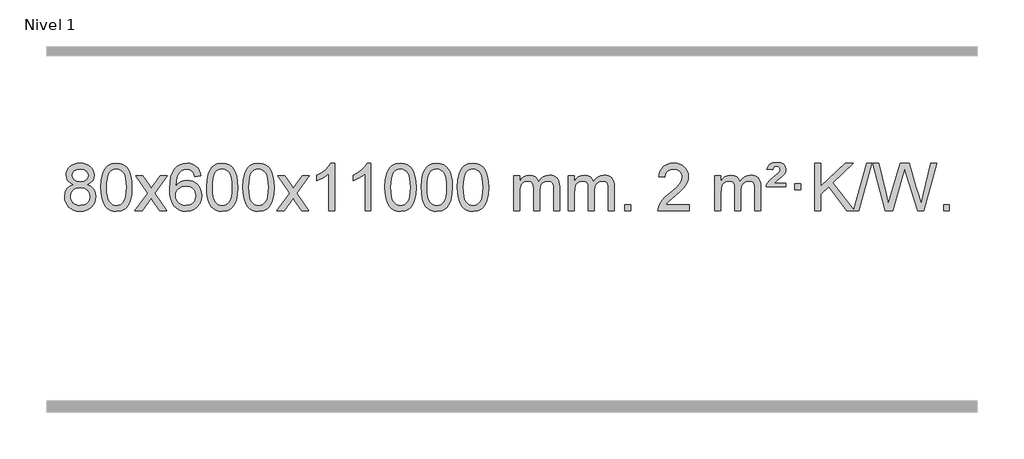
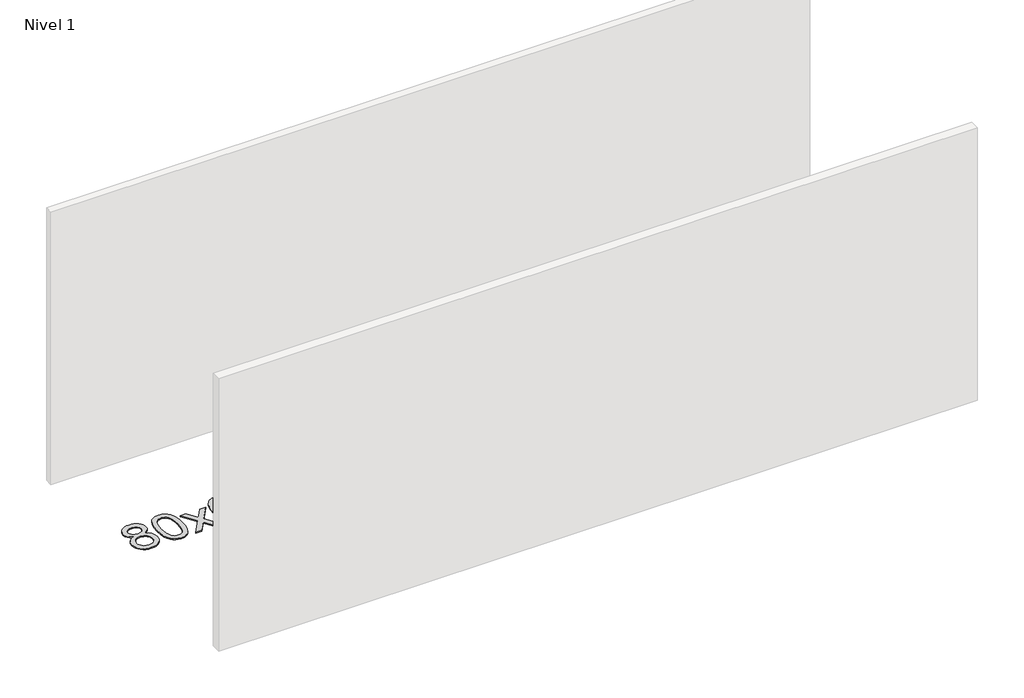
# One storey, part 3 of 14: 1 proxy.
"""IFC4 building model written with IfcOpenShell, lengths in millimetres."""

from ifc_helpers import new_model, si_unit, origin, origin_with_axes, place, context, project, spatial, polyline, outline, extrude, element, save

model = new_model("IFC4")

# Units and contexts
model_context = context("Model", 3, world=origin())
ifc_project = project(units=[si_unit("LENGTHUNIT", "METRE", prefix="MILLI")], contexts=[model_context])

# Site, building, storey
site = spatial("IfcSite", under=ifc_project)
building = spatial("IfcBuilding", under=site)
storey = spatial("IfcBuildingStorey", under=building, Name="Nivel 1", Elevation=0.0)

# Proxy
placement = place(None, origin())
element("IfcBuildingElementProxy", 1, Name="Texto de modelo 1", ObjectType="Texto de modelo 1", at=placement, inside=storey, context=model_context, shape_type="SweptSolid", body=[
    extrude(outline(polyline([(-12804.5042266, -170.2616447), (-12831.3964004, -157.0178929), (-12850.2687468, -139.0652515), (-12861.4155712, -116.7716026), (-12865.1311794, -90.5048281), (-12863.1078284, -70.0199324), (-12857.0377755, -51.2395565), (-12846.9210206, -34.1637006), (-12832.7575638, -18.7923645), (-12815.2279867, -6.088173), (-12795.0128711, 2.9862496), (-12772.1122169, 8.4309031), (-12746.5260241, 10.2457876), (-12720.817204, 8.3879835), (-12697.7448716, 2.8145713), (-12677.3090268, -6.4744491), (-12659.5096696, -19.4790776), (-12645.0886953, -35.1508506), (-12634.7879995, -52.4413044), (-12628.607582, -71.3504389), (-12626.5474428, -91.8782543), (-12630.214, -117.2989001), (-12641.2136717, -139.2124043), (-12659.6690851, -157.0546811), (-12685.7028676, -170.2616447), (-12654.7885173, -186.1909351), (-12632.2864019, -209.6495436), (-12618.5644035, -239.5092989), (-12613.990404, -274.6420295), (-12616.2590097, -299.6947933), (-12623.0648266, -322.6628926), (-12634.4078547, -343.5463272), (-12650.2880942, -362.3450971), (-12669.8716791, -377.88198), (-12692.3247435, -388.9797536), (-12717.6472875, -395.6384177), (-12745.8393111, -397.8579724), (-12774.0313347, -395.6292206), (-12799.3538787, -388.9429654), (-12821.8069431, -377.7992066), (-12841.390528, -362.1979443), (-12857.2707674, -343.26735), (-12868.6137956, -322.135595), (-12875.4196125, -298.8026795), (-12877.6882182, -273.2686033), (-12872.9302777, -236.7747094), (-12858.6564563, -206.7555386), (-12835.6025179, -184.2411605), (-12804.5042266, -170.2616447)]), holes=[polyline([(-12814.9030243, -91.9763561), (-12810.4516522, -113.902123), (-12797.0975357, -131.413306), (-12775.2330825, -142.8912243), (-12745.2506999, -146.717197), (-12715.9672931, -142.9157497), (-12694.4339336, -131.5114079), (-12681.1901818, -114.5888361), (-12676.7755979, -94.232699), (-12681.3373346, -73.1040098), (-12695.0225448, -55.629615), (-12716.8502099, -43.8941794), (-12745.8393111, -39.9823675), (-12775.0123533, -43.8083402), (-12796.8032302, -55.2862585), (-12810.3780758, -72.1107284), (-12814.9030243, -91.9763561)]), polyline([(-12827.4600631, -271.5027698), (-12825.3631357, -290.7184726), (-12819.0723536, -309.3210389), (-12807.4595453, -325.5446349), (-12789.3965393, -337.623427), (-12767.765078, -345.1282197), (-12745.4469036, -347.6298173), (-12711.2584035, -342.3691048), (-12697.3647269, -335.7932141), (-12685.6047657, -326.5869672), (-12669.5651108, -302.6869002), (-12664.2185591, -273.0723996), (-12669.736789, -242.9551269), (-12686.2914788, -218.5277625), (-12698.370271, -209.0854579), (-12712.5337278, -202.3409547), (-12747.1146353, -196.9453521), (-12780.8248888, -202.2673783), (-12794.5622157, -208.919911), (-12806.2210092, -218.2334569), (-12822.1502996, -242.1948375), (-12827.4600631, -271.5027698)])]), origin_with_axes(), (0.0, 0.0, 1.0), 10.0),
    extrude(outline(polyline([(-12570.0407683, -193.9041943), (-12566.3496856, -129.5861588), (-12555.2764376, -78.2911459), (-12536.9313888, -39.2343407), (-12525.0733258, -24.0009605), (-12511.4249038, -11.6309284), (-12495.9401374, -2.0598651), (-12478.5730416, 4.7766086), (-12438.1918613, 10.2457876), (-12407.2407227, 7.008426), (-12379.5269458, -2.7036586), (-12356.3503801, -18.5103217), (-12339.0108754, -40.0314184), (-12325.9142763, -67.0830078), (-12315.4664277, -99.4811488), (-12308.6238226, -140.6226186), (-12306.3429542, -193.9041943), (-12309.9972487, -257.8543477), (-12320.9601321, -309.0267333), (-12339.1948164, -348.1203266), (-12351.0252882, -363.3996922), (-12364.6645132, -375.8341036), (-12380.1676736, -385.4695462), (-12397.5899517, -392.3520052), (-12438.1918613, -397.8579724), (-12465.8565873, -395.4667394), (-12490.3820536, -388.2930405), (-12511.7682603, -376.3368757), (-12530.0152073, -359.5982449), (-12547.5263902, -329.3399508), (-12560.0343781, -291.6381776), (-12567.5391708, -246.4929255), (-12570.0407683, -193.9041943)]), holes=[polyline([(-12519.8126133, -193.8060924), (-12518.3410853, -237.4706195), (-12513.9265013, -272.8148822), (-12506.5688614, -299.8388804), (-12496.2681656, -318.5426142), (-12483.8092287, -331.2682656), (-12469.9768656, -340.3580165), (-12454.7710765, -345.8118671), (-12438.1918613, -347.6298173), (-12421.612646, -345.8057357), (-12406.4068569, -340.3334911), (-12392.5744939, -331.2130833), (-12380.1155569, -318.4445124), (-12369.8148611, -299.7101217), (-12362.4572212, -272.6922549), (-12358.0426372, -237.3909118), (-12356.5711093, -193.8060924), (-12357.9935863, -151.2973278), (-12362.2610174, -116.5753989), (-12369.3734027, -89.6403055), (-12379.330742, -70.4920476), (-12391.5812125, -57.1440625), (-12405.572991, -47.6097875), (-12421.3060777, -41.8892225), (-12438.7804724, -39.9823675), (-12455.2738486, -41.6623619), (-12470.2221203, -46.7023452), (-12483.6252877, -55.1023175), (-12495.4833506, -66.8622786), (-12506.127403, -87.708925), (-12513.7302976, -115.8151094), (-12518.2920343, -151.1808319), (-12519.8126133, -193.8060924)])]), origin_with_axes(), (0.0, 0.0, 1.0), 10.0),
    extrude(outline(polyline([(-12281.2288766, -391.579453), (-12173.9054359, -243.2494325), (-12274.9503573, -96.4890419), (-12214.5196082, -96.4890419), (-12165.7629811, -167.122385), (-12143.0033483, -200.4770192), (-12123.2848734, -173.2047007), (-12067.7592176, -96.4890419), (-12007.3284685, -96.4890419), (-12113.4746868, -243.2494325), (-12011.2525431, -391.579453), (-12071.6832922, -391.579453), (-12133.1931618, -302.4048574), (-12144.4748763, -286.1199477), (-12220.7981276, -391.579453), (-12281.2288766, -391.579453)])), origin_with_axes(), (0.0, 0.0, 1.0), 10.0),
    extrude(outline(polyline([(-11722.4406514, -96.4890419), (-11772.6688065, -102.7675613), (-11780.7622104, -77.874213), (-11791.7005684, -60.8780648), (-11814.4847266, -45.2062918), (-11842.0268253, -39.9823675), (-11865.3750693, -43.0235253), (-11887.3498871, -52.1469988), (-11906.2222335, -71.3627017), (-11921.6364891, -97.8134171), (-11932.0475496, -135.227016), (-11935.9103105, -187.3313693), (-11915.7626399, -163.8237098), (-11891.6173183, -147.2567573), (-11864.8232463, -137.434308), (-11836.7293246, -134.1601582), (-11812.5962657, -136.398107), (-11790.3271423, -143.1119534), (-11769.9219543, -154.3016975), (-11751.3807017, -169.9673391), (-11735.9725775, -189.1769106), (-11724.9667745, -210.9984443), (-11718.3632927, -235.4319401), (-11716.1621321, -262.4773982), (-11720.3069359, -298.4439945), (-11732.7413473, -331.786366), (-11752.4352968, -360.0642287), (-11778.3587147, -380.8372987), (-11809.3343787, -393.602804), (-11844.1850664, -397.8579724), (-11874.1275951, -395.0375437), (-11901.1699874, -386.5762579), (-11925.3122434, -372.4741147), (-11946.5543629, -352.7311143), (-11963.8724078, -326.5133908), (-11976.2424399, -292.9870783), (-11983.6644592, -252.1521768), (-11986.1384656, -204.0086864), (-11983.3916134, -150.0342663), (-11975.1510567, -103.9693092), (-11961.4167955, -65.8138149), (-11942.1888299, -35.5677835), (-11921.3483149, -15.5243462), (-11897.1845991, -1.2076052), (-11869.6976827, 7.3824394), (-11838.8875656, 10.2457876), (-11815.7539195, 8.4738227), (-11794.8153026, 3.1579278), (-11776.071715, -5.7018969), (-11759.5231566, -18.1056515), (-11745.6172171, -33.6364031), (-11734.8014865, -51.8772186), (-11727.0759646, -72.8280983), (-11722.4406514, -96.4890419)]), holes=[polyline([(-11935.9103105, -261.6925832), (-11933.0040427, -283.9494439), (-11924.2852395, -305.2007605), (-11910.747182, -323.472233), (-11893.3831519, -336.7895612), (-11872.4261409, -344.9197533), (-11848.109141, -347.6298173), (-11814.9629732, -342.0134855), (-11801.0478368, -334.9930708), (-11788.9046652, -325.1644901), (-11779.0546248, -312.9262824), (-11772.0188817, -298.6769865), (-11766.3902871, -264.1451299), (-11771.9453053, -230.9989621), (-11778.8890779, -217.3781312), (-11788.6103596, -205.725469), (-11800.7903194, -196.3904634), (-11815.110126, -189.7226022), (-11850.1692802, -184.3883133), (-11883.266397, -189.7226022), (-11910.9433858, -205.725469), (-11921.8664153, -217.2248471), (-11929.6685793, -230.3858254), (-11934.3498777, -245.2084042), (-11935.9103105, -261.6925832)])]), origin_with_axes(), (0.0, 0.0, 1.0), 10.0),
    extrude(outline(polyline([(-11672.2124964, -193.9041943), (-11668.5214137, -129.5861588), (-11657.4481656, -78.2911459), (-11639.1031168, -39.2343407), (-11627.2450538, -24.0009605), (-11613.5966318, -11.6309284), (-11598.1118655, -2.0598651), (-11580.7447696, 4.7766086), (-11540.3635893, 10.2457876), (-11509.4124508, 7.008426), (-11481.6986738, -2.7036586), (-11458.5221081, -18.5103217), (-11441.1826034, -40.0314184), (-11428.0860044, -67.0830078), (-11417.6381557, -99.4811488), (-11410.7955506, -140.6226186), (-11408.5146822, -193.9041943), (-11412.1689767, -257.8543477), (-11423.1318602, -309.0267333), (-11441.3665444, -348.1203266), (-11453.1970162, -363.3996922), (-11466.8362412, -375.8341036), (-11482.3394016, -385.4695462), (-11499.7616798, -392.3520052), (-11540.3635893, -397.8579724), (-11568.0283153, -395.4667394), (-11592.5537817, -388.2930405), (-11613.9399883, -376.3368757), (-11632.1869353, -359.5982449), (-11649.6981183, -329.3399508), (-11662.2061061, -291.6381776), (-11669.7108988, -246.4929255), (-11672.2124964, -193.9041943)]), holes=[polyline([(-11621.9843413, -193.8060924), (-11620.5128133, -237.4706195), (-11616.0982294, -272.8148822), (-11608.7405895, -299.8388804), (-11598.4398936, -318.5426142), (-11585.9809567, -331.2682656), (-11572.1485937, -340.3580165), (-11556.9428045, -345.8118671), (-11540.3635893, -347.6298173), (-11523.784374, -345.8057357), (-11508.5785849, -340.3334911), (-11494.7462219, -331.2130833), (-11482.287285, -318.4445124), (-11471.9865891, -299.7101217), (-11464.6289492, -272.6922549), (-11460.2143653, -237.3909118), (-11458.7428373, -193.8060924), (-11460.1653143, -151.2973278), (-11464.4327455, -116.5753989), (-11471.5451307, -89.6403055), (-11481.5024701, -70.4920476), (-11493.7529405, -57.1440625), (-11507.7447191, -47.6097875), (-11523.4778057, -41.8892225), (-11540.9522005, -39.9823675), (-11557.4455766, -41.6623619), (-11572.3938483, -46.7023452), (-11585.7970157, -55.1023175), (-11597.6550787, -66.8622786), (-11608.2991311, -87.708925), (-11615.9020256, -115.8151094), (-11620.4637624, -151.1808319), (-11621.9843413, -193.8060924)])]), origin_with_axes(), (0.0, 0.0, 1.0), 10.0),
    extrude(outline(polyline([(-11364.5650465, -193.9041943), (-11360.8739638, -129.5861588), (-11349.8007158, -78.2911459), (-11331.455667, -39.2343407), (-11319.597604, -24.0009605), (-11305.949182, -11.6309284), (-11290.4644157, -2.0598651), (-11273.0973198, 4.7766086), (-11232.7161395, 10.2457876), (-11201.7650009, 7.008426), (-11174.051224, -2.7036586), (-11150.8746583, -18.5103217), (-11133.5351536, -40.0314184), (-11120.4385545, -67.0830078), (-11109.9907059, -99.4811488), (-11103.1481008, -140.6226186), (-11100.8672324, -193.9041943), (-11104.5215269, -257.8543477), (-11115.4844103, -309.0267333), (-11133.7190946, -348.1203266), (-11145.5495664, -363.3996922), (-11159.1887914, -375.8341036), (-11174.6919518, -385.4695462), (-11192.1142299, -392.3520052), (-11232.7161395, -397.8579724), (-11260.3808655, -395.4667394), (-11284.9063318, -388.2930405), (-11306.2925385, -376.3368757), (-11324.5394855, -359.5982449), (-11342.0506684, -329.3399508), (-11354.5586563, -291.6381776), (-11362.063449, -246.4929255), (-11364.5650465, -193.9041943)]), holes=[polyline([(-11314.3368915, -193.8060924), (-11312.8653635, -237.4706195), (-11308.4507795, -272.8148822), (-11301.0931396, -299.8388804), (-11290.7924438, -318.5426142), (-11278.3335069, -331.2682656), (-11264.5011438, -340.3580165), (-11249.2953547, -345.8118671), (-11232.7161395, -347.6298173), (-11216.1369242, -345.8057357), (-11200.9311351, -340.3334911), (-11187.0987721, -331.2130833), (-11174.6398352, -318.4445124), (-11164.3391393, -299.7101217), (-11156.9814994, -272.6922549), (-11152.5669154, -237.3909118), (-11151.0953875, -193.8060924), (-11152.5178645, -151.2973278), (-11156.7852957, -116.5753989), (-11163.8976809, -89.6403055), (-11173.8550202, -70.4920476), (-11186.1054907, -57.1440625), (-11200.0972692, -47.6097875), (-11215.8303559, -41.8892225), (-11233.3047507, -39.9823675), (-11249.7981268, -41.6623619), (-11264.7463985, -46.7023452), (-11278.1495659, -55.1023175), (-11290.0076288, -66.8622786), (-11300.6516812, -87.708925), (-11308.2545758, -115.8151094), (-11312.8163125, -151.1808319), (-11314.3368915, -193.8060924)])]), origin_with_axes(), (0.0, 0.0, 1.0), 10.0),
    extrude(outline(polyline([(-11075.7531548, -391.579453), (-10968.4297141, -243.2494325), (-11069.4746355, -96.4890419), (-11009.0438864, -96.4890419), (-10960.2872593, -167.122385), (-10937.5276265, -200.4770192), (-10917.8091516, -173.2047007), (-10862.2834958, -96.4890419), (-10801.8527467, -96.4890419), (-10907.998965, -243.2494325), (-10805.7768213, -391.579453), (-10866.2075704, -391.579453), (-10927.71744, -302.4048574), (-10938.9991545, -286.1199477), (-11015.3224058, -391.579453), (-11075.7531548, -391.579453)])), origin_with_axes(), (0.0, 0.0, 1.0), 10.0),
    extrude(outline(polyline([(-10586.0286429, -391.579453), (-10636.2567979, -391.579453), (-10636.2567979, -78.4382987), (-10657.2260717, -95.3976587), (-10683.8362027, -112.3324932), (-10736.7131081, -137.6918254), (-10736.7131081, -90.2105225), (-10697.2638955, -68.7507395), (-10663.0876581, -43.219729), (-10636.1464333, -16.0700378), (-10618.4022584, 10.2457876), (-10586.0286429, 10.2457876), (-10586.0286429, -391.579453)])), origin_with_axes(), (0.0, 0.0, 1.0), 10.0),
    extrude(outline(polyline([(-10278.381193, -391.579453), (-10328.6093481, -391.579453), (-10328.6093481, -78.4382987), (-10349.5786218, -95.3976587), (-10376.1887528, -112.3324932), (-10429.0656583, -137.6918254), (-10429.0656583, -90.2105225), (-10389.6164456, -68.7507395), (-10355.4402083, -43.219729), (-10328.4989835, -16.0700378), (-10310.7548086, 10.2457876), (-10278.381193, 10.2457876), (-10278.381193, -391.579453)])), origin_with_axes(), (0.0, 0.0, 1.0), 10.0),
    extrude(outline(polyline([(-10159.0893247, -193.9041943), (-10155.398242, -129.5861588), (-10144.324994, -78.2911459), (-10125.9799452, -39.2343407), (-10114.1218822, -24.0009605), (-10100.4734602, -11.6309284), (-10084.9886939, -2.0598651), (-10067.621598, 4.7766086), (-10027.2404177, 10.2457876), (-9996.2892791, 7.008426), (-9968.5755022, -2.7036586), (-9945.3989365, -18.5103217), (-9928.0594318, -40.0314184), (-9914.9628327, -67.0830078), (-9904.5149841, -99.4811488), (-9897.672379, -140.6226186), (-9895.3915106, -193.9041943), (-9899.0458051, -257.8543477), (-9910.0086885, -309.0267333), (-9928.2433728, -348.1203266), (-9940.0738446, -363.3996922), (-9953.7130696, -375.8341036), (-9969.21623, -385.4695462), (-9986.6385081, -392.3520052), (-10027.2404177, -397.8579724), (-10054.9051437, -395.4667394), (-10079.43061, -388.2930405), (-10100.8168167, -376.3368757), (-10119.0637637, -359.5982449), (-10136.5749466, -329.3399508), (-10149.0829345, -291.6381776), (-10156.5877272, -246.4929255), (-10159.0893247, -193.9041943)]), holes=[polyline([(-10108.8611697, -193.8060924), (-10107.3896417, -237.4706195), (-10102.9750577, -272.8148822), (-10095.6174178, -299.8388804), (-10085.316722, -318.5426142), (-10072.8577851, -331.2682656), (-10059.025422, -340.3580165), (-10043.8196329, -345.8118671), (-10027.2404177, -347.6298173), (-10010.6612024, -345.8057357), (-9995.4554133, -340.3334911), (-9981.6230503, -331.2130833), (-9969.1641134, -318.4445124), (-9958.8634175, -299.7101217), (-9951.5057776, -272.6922549), (-9947.0911936, -237.3909118), (-9945.6196657, -193.8060924), (-9947.0421427, -151.2973278), (-9951.3095739, -116.5753989), (-9958.4219591, -89.6403055), (-9968.3792984, -70.4920476), (-9980.6297689, -57.1440625), (-9994.6215474, -47.6097875), (-10010.3546341, -41.8892225), (-10027.8290289, -39.9823675), (-10044.322405, -41.6623619), (-10059.2706767, -46.7023452), (-10072.6738441, -55.1023175), (-10084.531907, -66.8622786), (-10095.1759594, -87.708925), (-10102.778854, -115.8151094), (-10107.3405907, -151.1808319), (-10108.8611697, -193.8060924)])]), origin_with_axes(), (0.0, 0.0, 1.0), 10.0),
    extrude(outline(polyline([(-9851.4418749, -193.9041943), (-9847.7507922, -129.5861588), (-9836.6775442, -78.2911459), (-9818.3324953, -39.2343407), (-9806.4744324, -24.0009605), (-9792.8260103, -11.6309284), (-9777.341244, -2.0598651), (-9759.9741482, 4.7766086), (-9719.5929678, 10.2457876), (-9688.6418293, 7.008426), (-9660.9280523, -2.7036586), (-9637.7514866, -18.5103217), (-9620.4119819, -40.0314184), (-9607.3153829, -67.0830078), (-9596.8675342, -99.4811488), (-9590.0249291, -140.6226186), (-9587.7440608, -193.9041943), (-9591.3983552, -257.8543477), (-9602.3612387, -309.0267333), (-9620.5959229, -348.1203266), (-9632.4263948, -363.3996922), (-9646.0656197, -375.8341036), (-9661.5687801, -385.4695462), (-9678.9910583, -392.3520052), (-9719.5929678, -397.8579724), (-9747.2576939, -395.4667394), (-9771.7831602, -388.2930405), (-9793.1693669, -376.3368757), (-9811.4163138, -359.5982449), (-9828.9274968, -329.3399508), (-9841.4354846, -291.6381776), (-9848.9402773, -246.4929255), (-9851.4418749, -193.9041943)]), holes=[polyline([(-9801.2137198, -193.8060924), (-9799.7421918, -237.4706195), (-9795.3276079, -272.8148822), (-9787.969968, -299.8388804), (-9777.6692721, -318.5426142), (-9765.2103352, -331.2682656), (-9751.3779722, -340.3580165), (-9736.1721831, -345.8118671), (-9719.5929678, -347.6298173), (-9703.0137526, -345.8057357), (-9687.8079634, -340.3334911), (-9673.9756004, -331.2130833), (-9661.5166635, -318.4445124), (-9651.2159677, -299.7101217), (-9643.8583278, -272.6922549), (-9639.4437438, -237.3909118), (-9637.9722158, -193.8060924), (-9639.3946929, -151.2973278), (-9643.662124, -116.5753989), (-9650.7745093, -89.6403055), (-9660.7318486, -70.4920476), (-9672.982319, -57.1440625), (-9686.9740976, -47.6097875), (-9702.7071843, -41.8892225), (-9720.181579, -39.9823675), (-9736.6749551, -41.6623619), (-9751.6232269, -46.7023452), (-9765.0263942, -55.1023175), (-9776.8844572, -66.8622786), (-9787.5285096, -87.708925), (-9795.1314042, -115.8151094), (-9799.6931409, -151.1808319), (-9801.2137198, -193.8060924)])]), origin_with_axes(), (0.0, 0.0, 1.0), 10.0),
    extrude(outline(polyline([(-9543.7944251, -193.9041943), (-9540.1033424, -129.5861588), (-9529.0300943, -78.2911459), (-9510.6850455, -39.2343407), (-9498.8269825, -24.0009605), (-9485.1785605, -11.6309284), (-9469.6937942, -2.0598651), (-9452.3266983, 4.7766086), (-9411.945518, 10.2457876), (-9380.9943795, 7.008426), (-9353.2806025, -2.7036586), (-9330.1040368, -18.5103217), (-9312.7645321, -40.0314184), (-9299.6679331, -67.0830078), (-9289.2200844, -99.4811488), (-9282.3774793, -140.6226186), (-9280.0966109, -193.9041943), (-9283.7509054, -257.8543477), (-9294.7137889, -309.0267333), (-9312.9484731, -348.1203266), (-9324.7789449, -363.3996922), (-9338.4181699, -375.8341036), (-9353.9213303, -385.4695462), (-9371.3436085, -392.3520052), (-9411.945518, -397.8579724), (-9439.610244, -395.4667394), (-9464.1357104, -388.2930405), (-9485.521917, -376.3368757), (-9503.768864, -359.5982449), (-9521.280047, -329.3399508), (-9533.7880348, -291.6381776), (-9541.2928275, -246.4929255), (-9543.7944251, -193.9041943)]), holes=[polyline([(-9493.56627, -193.8060924), (-9492.094742, -237.4706195), (-9487.6801581, -272.8148822), (-9480.3225182, -299.8388804), (-9470.0218223, -318.5426142), (-9457.5628854, -331.2682656), (-9443.7305224, -340.3580165), (-9428.5247332, -345.8118671), (-9411.945518, -347.6298173), (-9395.3663027, -345.8057357), (-9380.1605136, -340.3334911), (-9366.3281506, -331.2130833), (-9353.8692137, -318.4445124), (-9343.5685178, -299.7101217), (-9336.2108779, -272.6922549), (-9331.796294, -237.3909118), (-9330.324766, -193.8060924), (-9331.747243, -151.2973278), (-9336.0146742, -116.5753989), (-9343.1270594, -89.6403055), (-9353.0843988, -70.4920476), (-9365.3348692, -57.1440625), (-9379.3266478, -47.6097875), (-9395.0597344, -41.8892225), (-9412.5341292, -39.9823675), (-9429.0275053, -41.6623619), (-9443.975777, -46.7023452), (-9457.3789444, -55.1023175), (-9469.2370074, -66.8622786), (-9479.8810598, -87.708925), (-9487.4839543, -115.8151094), (-9492.0456911, -151.1808319), (-9493.56627, -193.8060924)])]), origin_with_axes(), (0.0, 0.0, 1.0), 10.0),
    extrude(outline(polyline([(-9066.6269519, -391.579453), (-9066.6269519, -96.4890419), (-9016.3987968, -96.4890419), (-9016.3987968, -145.0494653), (-9001.2911095, -122.7435537), (-8981.8669402, -105.2691589), (-8958.7884763, -93.9751816), (-8932.7179056, -90.2105225), (-8904.7833994, -94.048758), (-8882.3916487, -105.5634645), (-8865.6652806, -123.9943524), (-8854.7269226, -148.5811324), (-8836.418662, -123.0439906), (-8815.5352274, -104.803175), (-8792.0766189, -93.8586857), (-8766.0428363, -90.2105225), (-8745.9350196, -91.7280358), (-8728.2858809, -96.2805755), (-8713.0954202, -103.8681416), (-8700.3636375, -114.4907342), (-8690.2989992, -128.2709806), (-8683.1099719, -145.3315082), (-8678.7965555, -165.6723168), (-8677.35875, -189.2934066), (-8677.35875, -391.579453), (-8727.5869051, -391.579453), (-8727.5869051, -210.875817), (-8728.7518648, -185.8230531), (-8732.2467437, -168.9372695), (-8738.7950432, -157.3735121), (-8749.1202646, -148.2868268), (-8762.4008046, -142.4007149), (-8777.8150602, -140.4386776), (-8805.0260651, -145.4663982), (-8827.2093494, -160.54956), (-8835.8147224, -172.1194488), (-8841.9614174, -186.7182326), (-8846.8787734, -225.0024856), (-8846.8787734, -391.579453), (-8897.1069285, -391.579453), (-8897.1069285, -205.2840106), (-8900.0131962, -176.8835206), (-8908.7319995, -156.6254854), (-8924.0726787, -144.4853796), (-8946.8445742, -140.4386776), (-8966.1951672, -143.1364789), (-8984.0251812, -151.2298828), (-8998.740461, -164.5226856), (-9008.7468513, -182.8186835), (-9014.4858104, -208.2025411), (-9016.3987968, -242.7589232), (-9016.3987968, -391.579453), (-9066.6269519, -391.579453)])), origin_with_axes(), (0.0, 0.0, 1.0), 10.0),
    extrude(outline(polyline([(-8602.0165174, -391.579453), (-8602.0165174, -96.4890419), (-8551.7883623, -96.4890419), (-8551.7883623, -145.0494653), (-8536.6806751, -122.7435537), (-8517.2565057, -105.2691589), (-8494.1780419, -93.9751816), (-8468.1074712, -90.2105225), (-8440.172965, -94.048758), (-8417.7812142, -105.5634645), (-8401.0548462, -123.9943524), (-8390.1164882, -148.5811324), (-8371.8082276, -123.0439906), (-8350.924793, -104.803175), (-8327.4661844, -93.8586857), (-8301.4324019, -90.2105225), (-8281.3245852, -91.7280358), (-8263.6754465, -96.2805755), (-8248.4849857, -103.8681416), (-8235.753203, -114.4907342), (-8225.6885648, -128.2709806), (-8218.4995374, -145.3315082), (-8214.1861211, -165.6723168), (-8212.7483156, -189.2934066), (-8212.7483156, -391.579453), (-8262.9764707, -391.579453), (-8262.9764707, -210.875817), (-8264.1414303, -185.8230531), (-8267.6363093, -168.9372695), (-8274.1846088, -157.3735121), (-8284.5098301, -148.2868268), (-8297.7903701, -142.4007149), (-8313.2046257, -140.4386776), (-8340.4156306, -145.4663982), (-8362.598915, -160.54956), (-8371.204288, -172.1194488), (-8377.350983, -186.7182326), (-8382.268339, -225.0024856), (-8382.268339, -391.579453), (-8432.496494, -391.579453), (-8432.496494, -205.2840106), (-8435.4027618, -176.8835206), (-8444.1215651, -156.6254854), (-8459.4622443, -144.4853796), (-8482.2341398, -140.4386776), (-8501.5847327, -143.1364789), (-8519.4147468, -151.2298828), (-8534.1300266, -164.5226856), (-8544.1364168, -182.8186835), (-8549.875376, -208.2025411), (-8551.7883623, -242.7589232), (-8551.7883623, -391.579453), (-8602.0165174, -391.579453)])), origin_with_axes(), (0.0, 0.0, 1.0), 10.0),
    extrude(outline(polyline([(-8124.8490442, -391.579453), (-8124.8490442, -341.3512979), (-8074.6208891, -341.3512979), (-8074.6208891, -391.579453), (-8124.8490442, -391.579453)])), origin_with_axes(), (0.0, 0.0, 1.0), 10.0),
    extrude(outline(polyline([(-7578.6178578, -341.3512979), (-7578.6178578, -391.579453), (-7842.3156719, -391.579453), (-7841.2120259, -373.8965918), (-7836.9200693, -356.9494945), (-7824.5347088, -329.8856424), (-7806.4103892, -303.6311307), (-7780.1926657, -276.1503456), (-7743.5270935, -245.4076736), (-7689.3258128, -197.2641831), (-7656.8050445, -161.7267824), (-7640.5446603, -132.884834), (-7635.1245322, -104.8277005), (-7640.238092, -79.6768347), (-7655.5787712, -58.7688747), (-7679.160007, -44.6789943), (-7708.9952369, -39.9823675), (-7740.3265201, -44.5686297), (-7764.6680455, -58.3274163), (-7780.3766067, -80.1796068), (-7785.8089975, -109.0460807), (-7836.0371525, -102.7675613), (-7831.7176048, -76.838012), (-7823.8602585, -54.1826125), (-7812.4651137, -34.8013627), (-7797.5321704, -18.6942627), (-7779.4047851, -6.0329907), (-7758.4263143, 3.010775), (-7734.596758, 8.4370345), (-7707.9161163, 10.2457876), (-7680.9963513, 8.2346994), (-7657.0380364, 2.2014346), (-7636.0411715, -7.8540066), (-7618.0057567, -21.9316242), (-7603.5204032, -38.9890861), (-7593.173722, -57.9840598), (-7586.9657134, -78.9165453), (-7584.8963772, -101.7865427), (-7587.1281946, -125.8092369), (-7593.8236469, -149.4149983), (-7605.7062353, -173.4254299), (-7623.4994612, -198.6621347), (-7651.863163, -228.7916701), (-7695.4571794, -267.4805933), (-7753.2391781, -315.795762), (-7775.900709, -341.3512979), (-7578.6178578, -341.3512979)])), origin_with_axes(), (0.0, 0.0, 1.0), 10.0),
    extrude(outline(polyline([(-7358.8696793, -391.579453), (-7358.8696793, -96.4890419), (-7308.6415242, -96.4890419), (-7308.6415242, -145.0494653), (-7293.533837, -122.7435537), (-7274.1096676, -105.2691589), (-7251.0312038, -93.9751816), (-7224.9606331, -90.2105225), (-7197.0261269, -94.048758), (-7174.6343761, -105.5634645), (-7157.9080081, -123.9943524), (-7146.9696501, -148.5811324), (-7128.6613895, -123.0439906), (-7107.7779549, -104.803175), (-7084.3193463, -93.8586857), (-7058.2855638, -90.2105225), (-7038.1777471, -91.7280358), (-7020.5286084, -96.2805755), (-7005.3381476, -103.8681416), (-6992.6063649, -114.4907342), (-6982.5417267, -128.2709806), (-6975.3526993, -145.3315082), (-6971.0392829, -165.6723168), (-6969.6014775, -189.2934066), (-6969.6014775, -391.579453), (-7019.8296326, -391.579453), (-7019.8296326, -210.875817), (-7020.9945922, -185.8230531), (-7024.4894712, -168.9372695), (-7031.0377707, -157.3735121), (-7041.362992, -148.2868268), (-7054.643532, -142.4007149), (-7070.0577876, -140.4386776), (-7097.2687925, -145.4663982), (-7119.4520769, -160.54956), (-7128.0574499, -172.1194488), (-7134.2041449, -186.7182326), (-7139.1215009, -225.0024856), (-7139.1215009, -391.579453), (-7189.3496559, -391.579453), (-7189.3496559, -205.2840106), (-7192.2559237, -176.8835206), (-7200.974727, -156.6254854), (-7216.3154062, -144.4853796), (-7239.0873017, -140.4386776), (-7258.4378946, -143.1364789), (-7276.2679087, -151.2298828), (-7290.9831885, -164.5226856), (-7300.9895787, -182.8186835), (-7306.7285379, -208.2025411), (-7308.6415242, -242.7589232), (-7308.6415242, -391.579453), (-7358.8696793, -391.579453)])), origin_with_axes(), (0.0, 0.0, 1.0), 10.0),
    extrude(outline(polyline([(-6925.6518418, -190.6668327), (-6921.825869, -174.8479069), (-6913.4872105, -158.9799302), (-6891.9783765, -133.8413272), (-6860.0216939, -106.1030247), (-6815.8758544, -68.726214), (-6808.7389437, -57.1992448), (-6806.3599735, -45.3779701), (-6808.2484344, -33.2869152), (-6813.9138171, -23.5012541), (-6823.2825453, -17.026531), (-6836.2810424, -14.8682899), (-6848.7154539, -16.4869707), (-6857.5691472, -21.343013), (-6863.9948194, -30.8098431), (-6869.1451673, -46.2608869), (-6919.3733224, -39.9823675), (-6908.5330663, -14.7701881), (-6891.9048001, 2.7900458), (-6868.1396232, 13.0907417), (-6835.888635, 16.524307), (-6800.1059796, 12.3917659), (-6775.359784, -0.0058573), (-6760.9388098, -18.3386434), (-6756.1318184, -40.2766731), (-6760.2275713, -63.1834586), (-6772.5148299, -84.8149199), (-6793.0426453, -104.6314968), (-6829.5120137, -132.6886303), (-6855.1166006, -159.2742358), (-6756.1318184, -159.2742358), (-6756.1318184, -190.6668327), (-6925.6518418, -190.6668327)])), origin_with_axes(), (0.0, 0.0, 1.0), 10.0),
    extrude(outline(polyline([(-6680.7895858, -215.7809102), (-6680.7895858, -165.5527552), (-6630.5614307, -165.5527552), (-6630.5614307, -215.7809102), (-6680.7895858, -215.7809102)])), origin_with_axes(), (0.0, 0.0, 1.0), 10.0),
    extrude(outline(polyline([(-6239.9198028, -391.579453), (-6393.3511202, -188.9009991), (-6461.0414074, -253.4520265), (-6461.0414074, -391.579453), (-6511.2695624, -391.579453), (-6511.2695624, 10.2457876), (-6461.0414074, 10.2457876), (-6461.0414074, -186.4484525), (-6255.0274901, 10.2457876), (-6184.7865544, 10.2457876), (-6357.7401431, -154.9577537), (-6183.0865333, -385.5349332), (-6071.7732055, 10.2457876), (-6026.4501437, 10.2457876), (-6139.4634926, -391.579453), (-6178.5080351, -391.579453), (-6184.7865544, -391.579453), (-6239.9198028, -391.579453)])), origin_with_axes(), (0.0, 0.0, 1.0), 10.0),
    extrude(outline(polyline([(-5911.9652668, -391.579453), (-6021.5450504, 10.2457876), (-5969.7472655, 10.2457876), (-5906.1772568, -253.844434), (-5886.5568837, -335.3670841), (-5865.5630845, -263.2622131), (-5785.9043698, 10.2457876), (-5711.2488502, 10.2457876), (-5653.3687497, -188.0180823), (-5628.5735032, -261.5944814), (-5610.3020308, -335.3670841), (-5591.2702689, -256.1988788), (-5527.1116489, 10.2457876), (-5475.313864, 10.2457876), (-5584.9917495, -391.579453), (-5638.6534699, -391.579453), (-5734.9895017, -81.5775584), (-5748.4294572, -38.3146358), (-5763.5371445, -90.4067263), (-5851.338314, -391.579453), (-5911.9652668, -391.579453)])), origin_with_axes(), (0.0, 0.0, 1.0), 10.0),
    extrude(outline(polyline([(-5418.8071895, -391.579453), (-5418.8071895, -341.3512979), (-5368.5790345, -341.3512979), (-5368.5790345, -391.579453), (-5418.8071895, -391.579453)])), origin_with_axes(), (0.0, 0.0, 1.0), 10.0),
])

save(model, "model.ifc")
